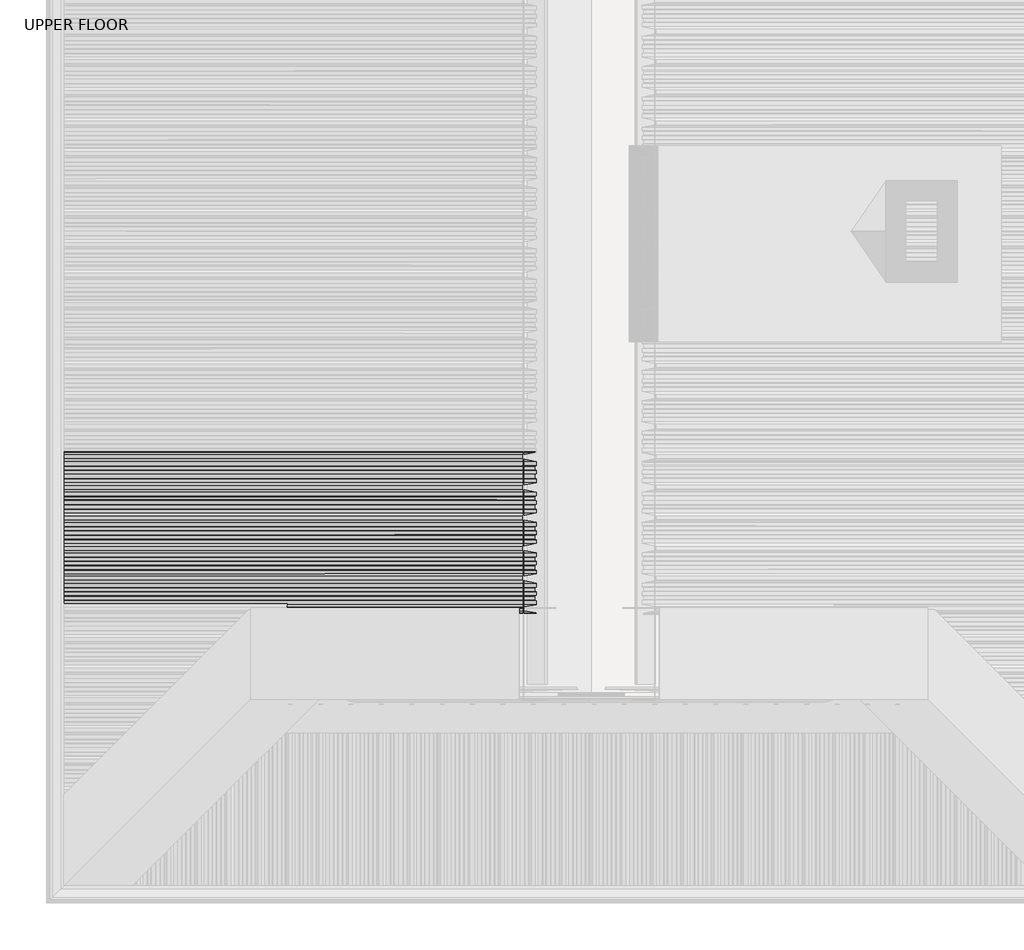
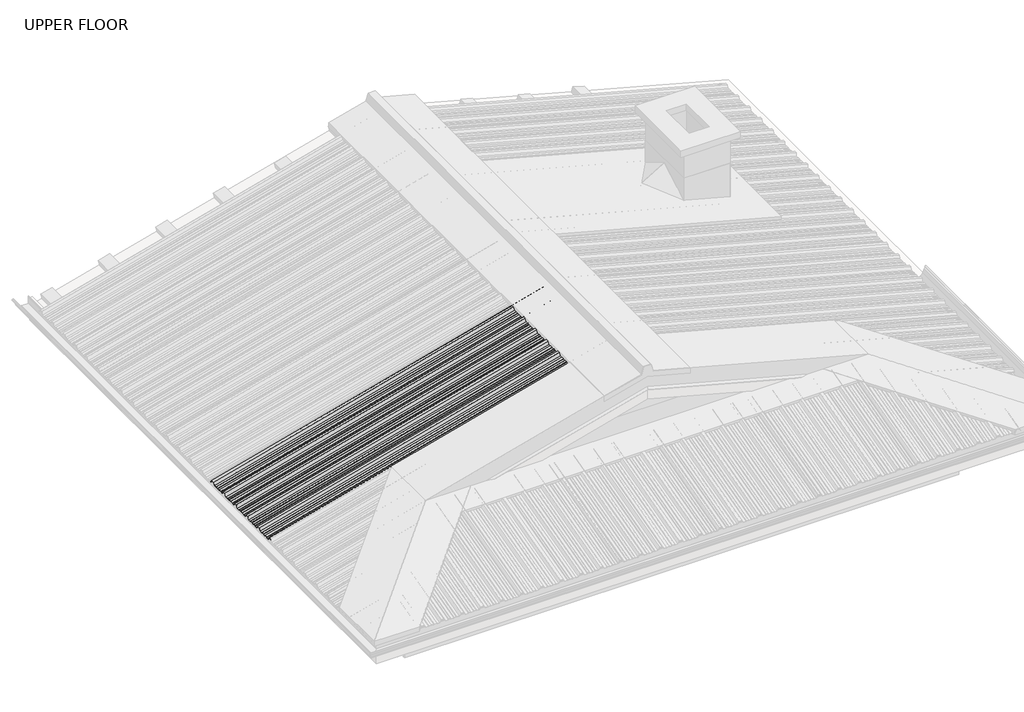
# One storey, part 11 of 18: 1 beam.
"""IFC4 building model written with IfcOpenShell, lengths in millimetres."""

from ifc_helpers import new_model, si_unit, frame, origin, place, context, project, spatial, circle_curve, ellipse_curve, element, save
from ifc_brep_helpers import plane_surface, cylinder_surface, advanced_brep

model = new_model("IFC4")

# Units and contexts
model_context = context("Model", 3, world=origin())
ifc_project = project(units=[si_unit("LENGTHUNIT", "METRE", prefix="MILLI")], contexts=[model_context])

# Site, building, storey
site = spatial("IfcSite", under=ifc_project)
building = spatial("IfcBuilding", under=site)
storey = spatial("IfcBuildingStorey", under=building, Name="UPPER FLOOR", Elevation=2700.0)

# Beam
placement = place(None, origin())
element("IfcBeam", 1, at=placement, inside=storey, context=model_context, shape_type="AdvancedBrep", body=[
    advanced_brep(
    [(1911.8438312, -3135.5154236, 3964.0388456), (1916.502574, -3122.0160332, 3946.6521808), (1916.502574, -3103.8599507, 3946.6521808), (1915.9849359, -3099.7333487, 3948.5840324), (1915.9849359, -3082.1265136, 3948.5840324), (1916.502574, -3078.8623496, 3946.6521808), (1916.502574, -3060.0893759, 3946.6521808), (1915.9849359, -3057.0479174, 3948.5840324), (1915.9849359, -3041.3821135, 3948.5840324), (1916.502574, -3038.3384716, 3946.6521808), (1916.502574, -3018.0160332, 3946.6521808), (1911.8438312, -3004.5166428, 3964.0388456), (1911.8438312, -2985.5154236, 3964.0388456), (1916.502574, -2972.0160332, 3946.6521808), (1916.502574, -2953.8599507, 3946.6521808), (1915.9849359, -2949.7333487, 3948.5840324), (1915.9849359, -2932.1265136, 3948.5840324), (1916.502574, -2928.8623496, 3946.6521808), (1916.502574, -2910.0893759, 3946.6521808), (1915.9849359, -2907.0479174, 3948.5840324), (1915.9849359, -2891.3821135, 3948.5840324), (1916.502574, -2888.3384716, 3946.6521808), (1916.502574, -2868.0160332, 3946.6521808), (1911.8438312, -2854.5166428, 3964.0388456), (1911.8438312, -2835.5154236, 3964.0388456), (1916.502574, -2822.0160332, 3946.6521808), (1916.502574, -2803.8599507, 3946.6521808), (1915.9849359, -2799.7333487, 3948.5840324), (1915.9849359, -2782.1265136, 3948.5840324), (1916.502574, -2778.8623496, 3946.6521808), (1916.502574, -2760.0893759, 3946.6521808), (1915.9849359, -2757.0479174, 3948.5840324), (1915.9849359, -2741.3821135, 3948.5840324), (1916.502574, -2738.3384716, 3946.6521808), (1916.502574, -2718.0160332, 3946.6521808), (1911.8438312, -2704.5166428, 3964.0388456), (1911.8438312, -2685.5154236, 3964.0388456), (1916.502574, -2672.0160332, 3946.6521808), (1916.502574, -2653.8599507, 3946.6521808), (1915.9849359, -2649.7333487, 3948.5840324), (1915.9849359, -2632.1265136, 3948.5840324), (1916.502574, -2628.8623496, 3946.6521808), (1916.502574, -2610.0893759, 3946.6521808), (1915.9849359, -2607.0479174, 3948.5840324), (1915.9849359, -2591.3821135, 3948.5840324), (1916.502574, -2588.3384716, 3946.6521808), (1916.502574, -2568.0160332, 3946.6521808), (1911.8438312, -2554.5166428, 3964.0388456), (1911.8438312, -2535.5154236, 3964.0388456), (1915.9849359, -2523.5159654, 3948.5840324), (1915.9849359, -2519.8426482, 3948.5840324), (1915.7261169, -2519.8426482, 3949.5499582), (1915.7261169, -2523.016575, 3949.5499582), (1911.5850122, -2535.0160332, 3965.0047715), (1911.5850122, -2555.0160332, 3965.0047715), (1916.243755, -2568.5154236, 3947.6181066), (1916.243755, -2588.0393206, 3947.6181066), (1915.7261169, -2591.0829625, 3949.5499582), (1915.7261169, -2607.3472479, 3949.5499582), (1916.243755, -2610.3887064, 3947.6181066), (1916.243755, -2628.5803543, 3947.6181066), (1915.7261169, -2631.8445183, 3949.5499582), (1915.7261169, -2649.9629086, 3949.5499582), (1916.243755, -2654.0895106, 3947.6181066), (1916.243755, -2671.5166428, 3947.6181066), (1911.5850122, -2685.0160332, 3965.0047715), (1911.5850122, -2705.0160332, 3965.0047715), (1916.243755, -2718.5154236, 3947.6181066), (1916.243755, -2738.0393206, 3947.6181066), (1915.7261169, -2741.0829625, 3949.5499582), (1915.7261169, -2757.3472479, 3949.5499582), (1916.243755, -2760.3887064, 3947.6181066), (1916.243755, -2778.5803543, 3947.6181066), (1915.7261169, -2781.8445183, 3949.5499582), (1915.7261169, -2799.9629086, 3949.5499582), (1916.243755, -2804.0895106, 3947.6181066), (1916.243755, -2821.5166428, 3947.6181066), (1911.5850122, -2835.0160332, 3965.0047715), (1911.5850122, -2855.0160332, 3965.0047715), (1916.243755, -2868.5154236, 3947.6181066), (1916.243755, -2888.0393206, 3947.6181066), (1915.7261169, -2891.0829625, 3949.5499582), (1915.7261169, -2907.3472479, 3949.5499582), (1916.243755, -2910.3887064, 3947.6181066), (1916.243755, -2928.5803543, 3947.6181066), (1915.7261169, -2931.8445183, 3949.5499582), (1915.7261169, -2949.9629086, 3949.5499582), (1916.243755, -2954.0895106, 3947.6181066), (1916.243755, -2971.5166428, 3947.6181066), (1911.5850122, -2985.0160332, 3965.0047715), (1911.5850122, -3005.0160332, 3965.0047715), (1916.243755, -3018.5154236, 3947.6181066), (1916.243755, -3038.0393206, 3947.6181066), (1915.7261169, -3041.0829625, 3949.5499582), (1915.7261169, -3057.3472479, 3949.5499582), (1916.243755, -3060.3887064, 3947.6181066), (1916.243755, -3078.5803543, 3947.6181066), (1915.7261169, -3081.8445183, 3949.5499582), (1915.7261169, -3099.9629086, 3949.5499582), (1916.243755, -3104.0895106, 3947.6181066), (1916.243755, -3121.5166428, 3947.6181066), (1911.5850122, -3135.0160332, 3965.0047715), (1911.5850122, -3155.0160332, 3965.0047715), (1916.243755, -3168.5154236, 3947.6181066), (1916.243755, -3188.0393206, 3947.6181066), (1915.7261169, -3191.0829625, 3949.5499582), (1915.7261169, -3207.3472479, 3949.5499582), (1916.243755, -3210.3887064, 3947.6181066), (1916.243755, -3228.5803543, 3947.6181066), (1915.7261169, -3231.8445183, 3949.5499582), (1915.7261169, -3249.9629086, 3949.5499582), (1916.243755, -3254.0895106, 3947.6181066), (1916.243755, -3274.0166021, 3947.6181066), (1912.1026503, -3286.0160603, 3963.0729198), (1912.1026503, -3304.0160061, 3963.0729198), (1916.1256634, -3315.6732765, 3948.0588305), (1916.2808729, -3314.8736623, 3947.4795806), (1912.3614693, -3303.5166157, 3962.106994), (1912.3614693, -3286.5154506, 3962.106994), (1916.502574, -3274.5159925, 3946.6521808), (1916.502574, -3253.8599507, 3946.6521808), (1915.9849359, -3249.7333487, 3948.5840324), (1915.9849359, -3232.1265136, 3948.5840324), (1916.502574, -3228.8623496, 3946.6521808), (1916.502574, -3210.0893759, 3946.6521808), (1915.9849359, -3207.0479174, 3948.5840324), (1915.9849359, -3191.3821135, 3948.5840324), (1916.502574, -3188.3384716, 3946.6521808), (1916.502574, -3168.0160332, 3946.6521808), (1911.8438312, -3154.5166428, 3964.0388456), (-592.3448479, -3122.0160332, 3274.4085401), (-592.3448479, -3103.8599507, 3274.4085401), (-592.3448479, -3099.7333487, 3276.4790925), (-592.3448479, -3082.1265136, 3276.4790925), (-592.3448479, -3078.8623496, 3274.4085401), (-592.3448479, -3060.0893759, 3274.4085401), (-592.3448479, -3057.0479174, 3276.4790925), (-592.3448479, -3041.3821135, 3276.4790925), (-592.3448479, -3038.3384716, 3274.4085401), (-592.3448479, -3018.0160332, 3274.4085401), (-592.3448479, -3004.5166428, 3293.0435114), (-592.3448479, -2985.5154236, 3293.0435114), (-592.3448479, -2972.0160332, 3274.4085401), (-592.3448479, -2953.8599507, 3274.4085401), (-592.3448479, -2949.7333487, 3276.4790925), (-592.3448479, -2932.1265136, 3276.4790925), (-592.3448479, -2928.8623496, 3274.4085401), (-592.3448479, -2910.0893759, 3274.4085401), (-592.3448479, -2907.0479174, 3276.4790925), (-592.3448479, -2891.3821135, 3276.4790925), (-592.3448479, -2888.3384716, 3274.4085401), (-592.3448479, -2868.0160332, 3274.4085401), (-592.3448479, -2854.5166428, 3293.0435114), (-592.3448479, -2835.5154236, 3293.0435114), (-592.3448479, -2822.0160332, 3274.4085401), (-592.3448479, -2803.8599507, 3274.4085401), (-592.3448479, -2799.7333487, 3276.4790925), (-592.3448479, -2782.1265136, 3276.4790925), (-592.3448479, -2778.8623496, 3274.4085401), (-592.3448479, -2760.0893759, 3274.4085401), (-592.3448479, -2757.0479174, 3276.4790925), (-592.3448479, -2741.3821135, 3276.4790925), (-592.3448479, -2738.3384716, 3274.4085401), (-592.3448479, -2718.0160332, 3274.4085401), (-592.3448479, -2704.5166428, 3293.0435114), (-592.3448479, -2685.5154236, 3293.0435114), (-592.3448479, -2672.0160332, 3274.4085401), (-592.3448479, -2653.8599507, 3274.4085401), (-592.3448479, -2649.7333487, 3276.4790925), (-592.3448479, -2632.1265136, 3276.4790925), (-592.3448479, -2628.8623496, 3274.4085401), (-592.3448479, -2610.0893759, 3274.4085401), (-592.3448479, -2607.0479174, 3276.4790925), (-592.3448479, -2591.3821135, 3276.4790925), (-592.3448479, -2588.3384716, 3274.4085401), (-592.3448479, -2568.0160332, 3274.4085401), (-592.3448479, -2554.5166428, 3293.0435114), (-592.3448479, -2535.5154236, 3293.0435114), (-592.3448479, -2523.5159654, 3276.4790925), (-592.3448479, -2519.8426482, 3276.4790925), (-592.3448479, -2519.8426482, 3277.5143687), (-592.3448479, -2523.016575, 3277.5143687), (-592.3448479, -2535.0160332, 3294.0787875), (-592.3448479, -2555.0160332, 3294.0787875), (-592.3448479, -2568.5154236, 3275.4438163), (-592.3448479, -2588.0393206, 3275.4438163), (-592.3448479, -2591.0829625, 3277.5143687), (-592.3448479, -2607.3472479, 3277.5143687), (-592.3448479, -2610.3887064, 3275.4438163), (-592.3448479, -2628.5803543, 3275.4438163), (-592.3448479, -2631.8445183, 3277.5143687), (-592.3448479, -2649.9629086, 3277.5143687), (-592.3448479, -2654.0895106, 3275.4438163), (-592.3448479, -2671.5166428, 3275.4438163), (-592.3448479, -2685.0160332, 3294.0787875), (-592.3448479, -2705.0160332, 3294.0787875), (-592.3448479, -2718.5154236, 3275.4438163), (-592.3448479, -2738.0393206, 3275.4438163), (-592.3448479, -2741.0829625, 3277.5143687), (-592.3448479, -2757.3472479, 3277.5143687), (-592.3448479, -2760.3887064, 3275.4438163), (-592.3448479, -2778.5803543, 3275.4438163), (-592.3448479, -2781.8445183, 3277.5143687), (-592.3448479, -2799.9629086, 3277.5143687), (-592.3448479, -2804.0895106, 3275.4438163), (-592.3448479, -2821.5166428, 3275.4438163), (-592.3448479, -2835.0160332, 3294.0787875), (-592.3448479, -2855.0160332, 3294.0787875), (-592.3448479, -2868.5154236, 3275.4438163), (-592.3448479, -2888.0393206, 3275.4438163), (-592.3448479, -2891.0829625, 3277.5143687), (-592.3448479, -2907.3472479, 3277.5143687), (-592.3448479, -2910.3887064, 3275.4438163), (-592.3448479, -2928.5803543, 3275.4438163), (-592.3448479, -2931.8445183, 3277.5143687), (-592.3448479, -2949.9629086, 3277.5143687), (-592.3448479, -2954.0895106, 3275.4438163), (-592.3448479, -2971.5166428, 3275.4438163), (-592.3448479, -2985.0160332, 3294.0787875), (-592.3448479, -3005.0160332, 3294.0787875), (-592.3448479, -3018.5154236, 3275.4438163), (-592.3448479, -3038.0393206, 3275.4438163), (-592.3448479, -3041.0829625, 3277.5143687), (-592.3448479, -3057.3472479, 3277.5143687), (-592.3448479, -3060.3887064, 3275.4438163), (-592.3448479, -3078.5803543, 3275.4438163), (-592.3448479, -3081.8445183, 3277.5143687), (-592.3448479, -3099.9629086, 3277.5143687), (-592.3448479, -3104.0895106, 3275.4438163), (-592.3448479, -3121.5166428, 3275.4438163), (-592.3448479, -3135.0160332, 3294.0787875), (-592.3448479, -3155.0160332, 3294.0787875), (-592.3448479, -3168.5154236, 3275.4438163), (-592.3448479, -3188.0393206, 3275.4438163), (-592.3448479, -3191.0829625, 3277.5143687), (-592.3448479, -3207.3472479, 3277.5143687), (-592.3448479, -3210.3887064, 3275.4438163), (-592.3448479, -3228.5803543, 3275.4438163), (-592.3448479, -3231.8445183, 3277.5143687), (-592.3448479, -3249.9629086, 3277.5143687), (-592.3448479, -3254.0895106, 3275.4438163), (-592.3448479, -3274.0166021, 3275.4438163), (-592.3448479, -3286.0160603, 3292.0082352), (-592.3448479, -3304.0160061, 3292.0082352), (-592.3448479, -3135.5154236, 3293.0435114), (-592.3448479, -3315.6732765, 3275.9161827), (-592.3448479, -3314.8736623, 3275.2953446), (-592.3448479, -3303.5166157, 3290.972959), (-592.3448479, -3286.5154506, 3290.972959), (-592.3448479, -3274.5159925, 3274.4085401), (-592.3448479, -3253.8599507, 3274.4085401), (-592.3448479, -3249.7333487, 3276.4790925), (-592.3448479, -3232.1265136, 3276.4790925), (-592.3448479, -3228.8623496, 3274.4085401), (-592.3448479, -3210.0893759, 3274.4085401), (-592.3448479, -3207.0479174, 3276.4790925), (-592.3448479, -3191.3821135, 3276.4790925), (-592.3448479, -3188.3384716, 3274.4085401), (-592.3448479, -3168.0160332, 3274.4085401), (-592.3448479, -3154.5166428, 3293.0435114)],
    [
        (0, 1),
        (1, 2),
        (2, 3),
        (3, 4),
        (4, 5),
        (5, 6),
        (6, 7),
        (7, 8),
        (8, 9),
        (9, 10),
        (10, 11),
        (11, 12),
        (12, 13),
        (13, 14),
        (14, 15),
        (15, 16),
        (16, 17),
        (17, 18),
        (18, 19),
        (19, 20),
        (20, 21),
        (21, 22),
        (22, 23),
        (23, 24),
        (24, 25),
        (25, 26),
        (26, 27),
        (27, 28),
        (28, 29),
        (29, 30),
        (30, 31),
        (31, 32),
        (32, 33),
        (33, 34),
        (34, 35),
        (35, 36),
        (36, 37),
        (37, 38),
        (38, 39),
        (39, 40),
        (40, 41),
        (41, 42),
        (42, 43),
        (43, 44),
        (44, 45),
        (45, 46),
        (46, 47),
        (47, 48),
        (48, 49),
        (49, 50),
        (50, 51, circle_curve(frame((1915.8555264, -2519.8426482, 3949.0669953), z_axis=(0.9659258262890683, 0.0, 0.25881904510252074), x_axis=(0.0, 1.0, 0.0)), 0.5)),
        (51, 52),
        (52, 53),
        (53, 54),
        (54, 55),
        (55, 56),
        (56, 57),
        (57, 58),
        (58, 59),
        (59, 60),
        (60, 61),
        (61, 62),
        (62, 63),
        (63, 64),
        (64, 65),
        (65, 66),
        (66, 67),
        (67, 68),
        (68, 69),
        (69, 70),
        (70, 71),
        (71, 72),
        (72, 73),
        (73, 74),
        (74, 75),
        (75, 76),
        (76, 77),
        (77, 78),
        (78, 79),
        (79, 80),
        (80, 81),
        (81, 82),
        (82, 83),
        (83, 84),
        (84, 85),
        (85, 86),
        (86, 87),
        (87, 88),
        (88, 89),
        (89, 90),
        (90, 91),
        (91, 92),
        (92, 93),
        (93, 94),
        (94, 95),
        (95, 96),
        (96, 97),
        (97, 98),
        (98, 99),
        (99, 100),
        (100, 101),
        (101, 102),
        (102, 103),
        (103, 104),
        (104, 105),
        (105, 106),
        (106, 107),
        (107, 108),
        (108, 109),
        (109, 110),
        (110, 111),
        (111, 112),
        (112, 113),
        (113, 114),
        (114, 115),
        (115, 116, circle_curve(frame((1916.2032682, -3315.2734694, 3947.7692055), z_axis=(0.9659258262890683, 0.0, 0.25881904510252074), x_axis=(0.0, 1.0, 0.0)), 0.4997507)),
        (116, 117),
        (117, 118),
        (118, 119),
        (119, 120),
        (120, 121),
        (121, 122),
        (122, 123),
        (123, 124),
        (124, 125),
        (125, 126),
        (126, 127),
        (127, 128),
        (128, 129),
        (129, 0),
        (1, 130),
        (130, 131),
        (131, 2),
        (131, 132),
        (132, 3),
        (132, 133),
        (133, 4),
        (133, 134),
        (134, 5),
        (134, 135),
        (135, 6),
        (135, 136),
        (136, 7),
        (136, 137),
        (137, 8),
        (137, 138),
        (138, 9),
        (138, 139),
        (139, 10),
        (139, 140),
        (140, 11),
        (140, 141),
        (141, 12),
        (141, 142),
        (142, 13),
        (142, 143),
        (143, 14),
        (143, 144),
        (144, 15),
        (144, 145),
        (145, 16),
        (145, 146),
        (146, 17),
        (146, 147),
        (147, 18),
        (147, 148),
        (148, 19),
        (148, 149),
        (149, 20),
        (149, 150),
        (150, 21),
        (150, 151),
        (151, 22),
        (151, 152),
        (152, 23),
        (152, 153),
        (153, 24),
        (153, 154),
        (154, 25),
        (154, 155),
        (155, 26),
        (155, 156),
        (156, 27),
        (156, 157),
        (157, 28),
        (157, 158),
        (158, 29),
        (158, 159),
        (159, 30),
        (159, 160),
        (160, 31),
        (160, 161),
        (161, 32),
        (161, 162),
        (162, 33),
        (162, 163),
        (163, 34),
        (163, 164),
        (164, 35),
        (164, 165),
        (165, 36),
        (165, 166),
        (166, 37),
        (166, 167),
        (167, 38),
        (167, 168),
        (168, 39),
        (168, 169),
        (169, 40),
        (169, 170),
        (170, 41),
        (170, 171),
        (171, 42),
        (171, 172),
        (172, 43),
        (172, 173),
        (173, 44),
        (173, 174),
        (174, 45),
        (174, 175),
        (175, 46),
        (175, 176),
        (176, 47),
        (176, 177),
        (177, 48),
        (177, 178),
        (178, 49),
        (178, 179),
        (179, 50),
        (179, 180, ellipse_curve(frame((-592.3448479, -2519.8426482, 3276.9967306), z_axis=(1.0, 0.0, 0.0), x_axis=(0.0, 0.0, 1.0)), 0.5176381, 0.5)),
        (180, 51),
        (180, 181),
        (181, 52),
        (181, 182),
        (182, 53),
        (182, 183),
        (183, 54),
        (183, 184),
        (184, 55),
        (184, 185),
        (185, 56),
        (185, 186),
        (186, 57),
        (186, 187),
        (187, 58),
        (187, 188),
        (188, 59),
        (188, 189),
        (189, 60),
        (189, 190),
        (190, 61),
        (190, 191),
        (191, 62),
        (191, 192),
        (192, 63),
        (192, 193),
        (193, 64),
        (193, 194),
        (194, 65),
        (194, 195),
        (195, 66),
        (195, 196),
        (196, 67),
        (196, 197),
        (197, 68),
        (197, 198),
        (198, 69),
        (198, 199),
        (199, 70),
        (199, 200),
        (200, 71),
        (200, 201),
        (201, 72),
        (201, 202),
        (202, 73),
        (202, 203),
        (203, 74),
        (203, 204),
        (204, 75),
        (204, 205),
        (205, 76),
        (205, 206),
        (206, 77),
        (206, 207),
        (207, 78),
        (207, 208),
        (208, 79),
        (208, 209),
        (209, 80),
        (209, 210),
        (210, 81),
        (210, 211),
        (211, 82),
        (211, 212),
        (212, 83),
        (212, 213),
        (213, 84),
        (213, 214),
        (214, 85),
        (214, 215),
        (215, 86),
        (215, 216),
        (216, 87),
        (216, 217),
        (217, 88),
        (217, 218),
        (218, 89),
        (218, 219),
        (219, 90),
        (219, 220),
        (220, 91),
        (220, 221),
        (221, 92),
        (221, 222),
        (222, 93),
        (222, 223),
        (223, 94),
        (223, 224),
        (224, 95),
        (224, 225),
        (225, 96),
        (225, 226),
        (226, 97),
        (226, 227),
        (227, 98),
        (227, 228),
        (228, 99),
        (228, 229),
        (229, 100),
        (229, 230),
        (230, 101),
        (230, 231),
        (231, 102),
        (231, 232),
        (232, 103),
        (232, 233),
        (233, 104),
        (233, 234),
        (234, 105),
        (234, 235),
        (235, 106),
        (235, 236),
        (236, 107),
        (236, 237),
        (237, 108),
        (237, 238),
        (238, 109),
        (238, 239),
        (239, 110),
        (239, 240),
        (240, 111),
        (240, 241),
        (241, 112),
        (241, 242),
        (242, 113),
        (242, 243),
        (243, 114),
        (0, 244),
        (244, 130),
        (243, 245),
        (245, 115),
        (245, 246, ellipse_curve(frame((-592.3448479, -3315.2734694, 3275.6057637), z_axis=(1.0, 0.0, 0.0), x_axis=(0.0, 0.0, 1.0)), 0.51738, 0.4997507)),
        (246, 116),
        (246, 247),
        (247, 117),
        (247, 248),
        (248, 118),
        (248, 249),
        (249, 119),
        (249, 250),
        (250, 120),
        (250, 251),
        (251, 121),
        (251, 252),
        (252, 122),
        (252, 253),
        (253, 123),
        (253, 254),
        (254, 124),
        (254, 255),
        (255, 125),
        (255, 256),
        (256, 126),
        (256, 257),
        (257, 127),
        (257, 258),
        (258, 128),
        (258, 259),
        (259, 129),
        (259, 244),
    ],
    [
        plane_surface(frame((1911.8438312, -3135.5154236, 3964.0388456), z_axis=(0.9659258262890682, 0.0, 0.25881904510252085), x_axis=(0.2070586020545866, 0.5999826594493568, -0.7727532230118989))),
        plane_surface(frame((1916.502574, -3122.0160332, 3946.6521808), z_axis=(0.25881904510252074, 0.0, -0.9659258262890683), x_axis=(-0.9659258262890683, 0.0, -0.25881904510252074))),
        plane_surface(frame((1916.502574, -3103.8599507, 3946.6521808), z_axis=(0.23290623468573957, 0.4361363616997863, -0.8692179012467383), x_axis=(-0.9659258262890683, 0.0, -0.25881904510252074))),
        plane_surface(frame((1915.9849359, -3099.7333487, 3948.5840324), z_axis=(0.25881904510252074, 0.0, -0.9659258262890683), x_axis=(-0.9659258262890683, 0.0, -0.25881904510252074))),
        plane_surface(frame((1915.9849359, -3082.1265136, 3948.5840324), z_axis=(0.22068801492462878, -0.5224449573493034, -0.8236188843202367), x_axis=(-0.9659258262890683, 0.0, -0.25881904510252074))),
        plane_surface(frame((1916.502574, -3078.8623496, 3946.6521808), z_axis=(0.25881904510252074, 0.0, -0.9659258262890683), x_axis=(-0.9659258262890683, 0.0, -0.25881904510252074))),
        plane_surface(frame((1916.502574, -3060.0893759, 3946.6521808), z_axis=(0.2162531724200974, 0.5494325148836681, -0.8070678267697529), x_axis=(-0.9659258262890683, 0.0, -0.25881904510252074))),
        plane_surface(frame((1915.9849359, -3057.0479174, 3948.5840324), z_axis=(0.25881904510252074, 0.0, -0.9659258262890683), x_axis=(-0.9659258262890683, 0.0, -0.25881904510252074))),
        plane_surface(frame((1915.9849359, -3041.3821135, 3948.5840324), z_axis=(0.2163000012898864, -0.5491572662555927, -0.8072425944910732), x_axis=(-0.9659258262890683, 0.0, -0.25881904510252074))),
        plane_surface(frame((1916.502574, -3038.3384716, 3946.6521808), z_axis=(0.25881904510252074, 0.0, -0.9659258262890683), x_axis=(-0.9659258262890683, 0.0, -0.25881904510252074))),
        plane_surface(frame((1916.502574, -3018.0160332, 3946.6521808), z_axis=(0.1552869389967554, 0.8000130051193378, -0.5795387460877353), x_axis=(-0.9659258262890683, 0.0, -0.25881904510252074))),
        plane_surface(frame((1911.8438312, -3004.5166428, 3964.0388456), z_axis=(0.25881904510252074, 0.0, -0.9659258262890683), x_axis=(-0.9659258262890683, 0.0, -0.25881904510252074))),
        plane_surface(frame((1911.8438312, -2985.5154236, 3964.0388456), z_axis=(0.15528693899675208, -0.8000130051193405, -0.5795387460877326), x_axis=(-0.9659258262890683, 0.0, -0.25881904510252074))),
        plane_surface(frame((1916.502574, -2972.0160332, 3946.6521808), z_axis=(0.25881904510252074, 0.0, -0.9659258262890683), x_axis=(-0.9659258262890683, 0.0, -0.25881904510252074))),
        plane_surface(frame((1916.502574, -2953.8599507, 3946.6521808), z_axis=(0.23290623468574015, 0.43613636169978187, -0.8692179012467404), x_axis=(-0.9659258262890683, 0.0, -0.25881904510252074))),
        plane_surface(frame((1915.9849359, -2949.7333487, 3948.5840324), z_axis=(0.25881904510252074, 0.0, -0.9659258262890683), x_axis=(-0.9659258262890683, 0.0, -0.25881904510252074))),
        plane_surface(frame((1915.9849359, -2932.1265136, 3948.5840324), z_axis=(0.22068801492462997, -0.5224449573492964, -0.8236188843202409), x_axis=(-0.9659258262890683, 0.0, -0.25881904510252074))),
        plane_surface(frame((1916.502574, -2928.8623496, 3946.6521808), z_axis=(0.25881904510252074, 0.0, -0.9659258262890683), x_axis=(-0.9659258262890683, 0.0, -0.25881904510252074))),
        plane_surface(frame((1916.502574, -2910.0893759, 3946.6521808), z_axis=(0.21625317242009884, 0.5494325148836595, -0.8070678267697583), x_axis=(-0.9659258262890683, 0.0, -0.25881904510252074))),
        plane_surface(frame((1915.9849359, -2907.0479174, 3948.5840324), z_axis=(0.25881904510252074, 0.0, -0.9659258262890683), x_axis=(-0.9659258262890683, 0.0, -0.25881904510252074))),
        plane_surface(frame((1915.9849359, -2891.3821135, 3948.5840324), z_axis=(0.2163000012898864, -0.5491572662555927, -0.8072425944910732), x_axis=(-0.9659258262890683, 0.0, -0.25881904510252074))),
        plane_surface(frame((1916.502574, -2888.3384716, 3946.6521808), z_axis=(0.25881904510252074, 0.0, -0.9659258262890683), x_axis=(-0.9659258262890683, 0.0, -0.25881904510252074))),
        plane_surface(frame((1916.502574, -2868.0160332, 3946.6521808), z_axis=(0.1552869389967558, 0.8000130051193365, -0.5795387460877367), x_axis=(-0.9659258262890683, 0.0, -0.25881904510252074))),
        plane_surface(frame((1911.8438312, -2854.5166428, 3964.0388456), z_axis=(0.25881904510252074, 0.0, -0.9659258262890683), x_axis=(-0.9659258262890683, 0.0, -0.25881904510252074))),
        plane_surface(frame((1911.8438312, -2835.5154236, 3964.0388456), z_axis=(0.15528693899675136, -0.8000130051193425, -0.5795387460877299), x_axis=(-0.9659258262890683, 0.0, -0.25881904510252074))),
        plane_surface(frame((1916.502574, -2822.0160332, 3946.6521808), z_axis=(0.25881904510252074, 0.0, -0.9659258262890683), x_axis=(-0.9659258262890683, 0.0, -0.25881904510252074))),
        plane_surface(frame((1916.502574, -2803.8599507, 3946.6521808), z_axis=(0.23290623468573907, 0.4361363616997906, -0.8692179012467363), x_axis=(-0.9659258262890683, 0.0, -0.25881904510252074))),
        plane_surface(frame((1915.9849359, -2799.7333487, 3948.5840324), z_axis=(0.25881904510252074, 0.0, -0.9659258262890683), x_axis=(-0.9659258262890683, 0.0, -0.25881904510252074))),
        plane_surface(frame((1915.9849359, -2782.1265136, 3948.5840324), z_axis=(0.22068801492462944, -0.5224449573492995, -0.823618884320239), x_axis=(-0.9659258262890683, 0.0, -0.25881904510252074))),
        plane_surface(frame((1916.502574, -2778.8623496, 3946.6521808), z_axis=(0.25881904510252074, 0.0, -0.9659258262890683), x_axis=(-0.9659258262890683, 0.0, -0.25881904510252074))),
        plane_surface(frame((1916.502574, -2760.0893759, 3946.6521808), z_axis=(0.2162531724200974, 0.5494325148836681, -0.8070678267697529), x_axis=(-0.9659258262890683, 0.0, -0.25881904510252074))),
        plane_surface(frame((1915.9849359, -2757.0479174, 3948.5840324), z_axis=(0.25881904510252074, 0.0, -0.9659258262890683), x_axis=(-0.9659258262890683, 0.0, -0.25881904510252074))),
        plane_surface(frame((1915.9849359, -2741.3821135, 3948.5840324), z_axis=(0.2163000012898864, -0.5491572662555927, -0.8072425944910732), x_axis=(-0.9659258262890683, 0.0, -0.25881904510252074))),
        plane_surface(frame((1916.502574, -2738.3384716, 3946.6521808), z_axis=(0.25881904510252074, 0.0, -0.9659258262890683), x_axis=(-0.9659258262890683, 0.0, -0.25881904510252074))),
        plane_surface(frame((1916.502574, -2718.0160332, 3946.6521808), z_axis=(0.1552869389967553, 0.800013005119338, -0.5795387460877349), x_axis=(-0.9659258262890683, 0.0, -0.25881904510252074))),
        plane_surface(frame((1911.8438312, -2704.5166428, 3964.0388456), z_axis=(0.25881904510252074, 0.0, -0.9659258262890683), x_axis=(-0.9659258262890683, 0.0, -0.25881904510252074))),
        plane_surface(frame((1911.8438312, -2685.5154236, 3964.0388456), z_axis=(0.15528693899675194, -0.8000130051193408, -0.579538746087732), x_axis=(-0.9659258262890683, 0.0, -0.25881904510252074))),
        plane_surface(frame((1916.502574, -2672.0160332, 3946.6521808), z_axis=(0.25881904510252074, 0.0, -0.9659258262890683), x_axis=(-0.9659258262890683, 0.0, -0.25881904510252074))),
        plane_surface(frame((1916.502574, -2653.8599507, 3946.6521808), z_axis=(0.23290623468573762, 0.43613636169980186, -0.8692179012467309), x_axis=(-0.9659258262890683, 0.0, -0.25881904510252074))),
        plane_surface(frame((1915.9849359, -2649.7333487, 3948.5840324), z_axis=(0.25881904510252074, 0.0, -0.9659258262890683), x_axis=(-0.9659258262890683, 0.0, -0.25881904510252074))),
        plane_surface(frame((1915.9849359, -2632.1265136, 3948.5840324), z_axis=(0.22068801492462528, -0.5224449573493257, -0.8236188843202236), x_axis=(-0.9659258262890683, 0.0, -0.25881904510252074))),
        plane_surface(frame((1916.502574, -2628.8623496, 3946.6521808), z_axis=(0.25881904510252074, 0.0, -0.9659258262890683), x_axis=(-0.9659258262890683, 0.0, -0.25881904510252074))),
        plane_surface(frame((1916.502574, -2610.0893759, 3946.6521808), z_axis=(0.21625317242009223, 0.5494325148836985, -0.8070678267697334), x_axis=(-0.9659258262890683, 0.0, -0.25881904510252074))),
        plane_surface(frame((1915.9849359, -2607.0479174, 3948.5840324), z_axis=(0.25881904510252074, 0.0, -0.9659258262890683), x_axis=(-0.9659258262890683, 0.0, -0.25881904510252074))),
        plane_surface(frame((1915.9849359, -2591.3821135, 3948.5840324), z_axis=(0.21630000128988258, -0.5491572662556147, -0.8072425944910592), x_axis=(-0.9659258262890683, 0.0, -0.25881904510252074))),
        plane_surface(frame((1916.502574, -2588.3384716, 3946.6521808), z_axis=(0.25881904510252074, 0.0, -0.9659258262890683), x_axis=(-0.9659258262890683, 0.0, -0.25881904510252074))),
        plane_surface(frame((1916.502574, -2568.0160332, 3946.6521808), z_axis=(0.15528693899675478, 0.8000130051193397, -0.5795387460877327), x_axis=(-0.9659258262890683, 0.0, -0.25881904510252074))),
        plane_surface(frame((1911.8438312, -2554.5166428, 3964.0388456), z_axis=(0.25881904510252074, 0.0, -0.9659258262890683), x_axis=(-0.9659258262890683, 0.0, -0.25881904510252074))),
        plane_surface(frame((1911.8438312, -2535.5154236, 3964.0388456), z_axis=(0.1552869389967519, -0.800013005119341, -0.5795387460877317), x_axis=(-0.9659258262890683, 0.0, -0.25881904510252074))),
        plane_surface(frame((1915.9849359, -2523.5159654, 3948.5840324), z_axis=(0.25881904510252074, 0.0, -0.9659258262890683), x_axis=(-0.9659258262890683, 0.0, -0.25881904510252074))),
        cylinder_surface(frame((-605.4065742, -2519.8426482, 3273.4968516), z_axis=(0.9659258262890683, 0.0, 0.25881904510252074), x_axis=(0.0, 1.0, 0.0)), 0.5),
        plane_surface(frame((1915.7261169, -2519.8426482, 3949.5499582), z_axis=(-0.25881904510252074, 0.0, 0.9659258262890683), x_axis=(-0.9659258262890683, 0.0, -0.25881904510252074))),
        plane_surface(frame((1915.7261169, -2523.016575, 3949.5499582), z_axis=(-0.15528693899675183, 0.8000130051193411, 0.5795387460877315), x_axis=(-0.9659258262890683, 0.0, -0.25881904510252074))),
        plane_surface(frame((1911.5850122, -2535.0160332, 3965.0047715), z_axis=(-0.25881904510252074, 0.0, 0.9659258262890683), x_axis=(-0.9659258262890683, 0.0, -0.25881904510252074))),
        plane_surface(frame((1911.5850122, -2555.0160332, 3965.0047715), z_axis=(-0.15528693899675491, -0.8000130051193396, 0.5795387460877331), x_axis=(-0.9659258262890683, 0.0, -0.25881904510252074))),
        plane_surface(frame((1916.243755, -2568.5154236, 3947.6181066), z_axis=(-0.25881904510252074, 0.0, 0.9659258262890683), x_axis=(-0.9659258262890683, 0.0, -0.25881904510252074))),
        plane_surface(frame((1916.243755, -2588.0393206, 3947.6181066), z_axis=(-0.21630000128988927, 0.5491572662555757, 0.807242594491084), x_axis=(-0.9659258262890683, 0.0, -0.25881904510252074))),
        plane_surface(frame((1915.7261169, -2591.0829625, 3949.5499582), z_axis=(-0.25881904510252074, 0.0, 0.9659258262890683), x_axis=(-0.9659258262890683, 0.0, -0.25881904510252074))),
        plane_surface(frame((1915.7261169, -2607.3472479, 3949.5499582), z_axis=(-0.2162531724200994, -0.5494325148836562, 0.8070678267697603), x_axis=(-0.9659258262890683, 0.0, -0.25881904510252074))),
        plane_surface(frame((1916.243755, -2610.3887064, 3947.6181066), z_axis=(-0.25881904510252074, 0.0, 0.9659258262890683), x_axis=(-0.9659258262890683, 0.0, -0.25881904510252074))),
        plane_surface(frame((1916.243755, -2628.5803543, 3947.6181066), z_axis=(-0.22068801492462778, 0.5224449573493096, 0.823618884320233), x_axis=(-0.9659258262890683, 0.0, -0.25881904510252074))),
        plane_surface(frame((1915.7261169, -2631.8445183, 3949.5499582), z_axis=(-0.25881904510252074, 0.0, 0.9659258262890683), x_axis=(-0.9659258262890683, 0.0, -0.25881904510252074))),
        plane_surface(frame((1915.7261169, -2649.9629086, 3949.5499582), z_axis=(-0.23290623468573818, -0.43613636169979736, 0.869217901246733), x_axis=(-0.9659258262890683, 0.0, -0.25881904510252074))),
        plane_surface(frame((1916.243755, -2654.0895106, 3947.6181066), z_axis=(-0.25881904510252074, 0.0, 0.9659258262890683), x_axis=(-0.9659258262890683, 0.0, -0.25881904510252074))),
        plane_surface(frame((1916.243755, -2671.5166428, 3947.6181066), z_axis=(-0.15528693899675322, 0.8000130051193369, 0.579538746087737), x_axis=(-0.9659258262890683, 0.0, -0.25881904510252074))),
        plane_surface(frame((1911.5850122, -2685.0160332, 3965.0047715), z_axis=(-0.25881904510252074, 0.0, 0.9659258262890683), x_axis=(-0.9659258262890683, 0.0, -0.25881904510252074))),
        plane_surface(frame((1911.5850122, -2705.0160332, 3965.0047715), z_axis=(-0.15528693899675478, -0.8000130051193396, 0.5795387460877328), x_axis=(-0.9659258262890683, 0.0, -0.25881904510252074))),
        plane_surface(frame((1916.243755, -2718.5154236, 3947.6181066), z_axis=(-0.25881904510252074, 0.0, 0.9659258262890683), x_axis=(-0.9659258262890683, 0.0, -0.25881904510252074))),
        plane_surface(frame((1916.243755, -2738.0393206, 3947.6181066), z_axis=(-0.21630000128988697, 0.5491572662555895, 0.8072425944910753), x_axis=(-0.9659258262890683, 0.0, -0.25881904510252074))),
        plane_surface(frame((1915.7261169, -2741.0829625, 3949.5499582), z_axis=(-0.25881904510252074, 0.0, 0.9659258262890683), x_axis=(-0.9659258262890683, 0.0, -0.25881904510252074))),
        plane_surface(frame((1915.7261169, -2757.3472479, 3949.5499582), z_axis=(-0.2162531724200979, -0.5494325148836647, 0.8070678267697549), x_axis=(-0.9659258262890683, 0.0, -0.25881904510252074))),
        plane_surface(frame((1916.243755, -2760.3887064, 3947.6181066), z_axis=(-0.25881904510252074, 0.0, 0.9659258262890683), x_axis=(-0.9659258262890683, 0.0, -0.25881904510252074))),
        plane_surface(frame((1916.243755, -2778.5803543, 3947.6181066), z_axis=(-0.22068801492462872, 0.5224449573493041, 0.8236188843202363), x_axis=(-0.9659258262890683, 0.0, -0.25881904510252074))),
        plane_surface(frame((1915.7261169, -2781.8445183, 3949.5499582), z_axis=(-0.25881904510252074, 0.0, 0.9659258262890683), x_axis=(-0.9659258262890683, 0.0, -0.25881904510252074))),
        plane_surface(frame((1915.7261169, -2799.9629086, 3949.5499582), z_axis=(-0.23290623468573976, -0.4361363616997848, 0.8692179012467389), x_axis=(-0.9659258262890683, 0.0, -0.25881904510252074))),
        plane_surface(frame((1916.243755, -2804.0895106, 3947.6181066), z_axis=(-0.25881904510252074, 0.0, 0.9659258262890683), x_axis=(-0.9659258262890683, 0.0, -0.25881904510252074))),
        plane_surface(frame((1916.243755, -2821.5166428, 3947.6181066), z_axis=(-0.15528693899675242, 0.8000130051193396, 0.5795387460877337), x_axis=(-0.9659258262890683, 0.0, -0.25881904510252074))),
        plane_surface(frame((1911.5850122, -2835.0160332, 3965.0047715), z_axis=(-0.25881904510252074, 0.0, 0.9659258262890683), x_axis=(-0.9659258262890683, 0.0, -0.25881904510252074))),
        plane_surface(frame((1911.5850122, -2855.0160332, 3965.0047715), z_axis=(-0.15528693899675494, -0.8000130051193394, 0.5795387460877334), x_axis=(-0.9659258262890683, 0.0, -0.25881904510252074))),
        plane_surface(frame((1916.243755, -2868.5154236, 3947.6181066), z_axis=(-0.25881904510252074, 0.0, 0.9659258262890683), x_axis=(-0.9659258262890683, 0.0, -0.25881904510252074))),
        plane_surface(frame((1916.243755, -2888.0393206, 3947.6181066), z_axis=(-0.21630000128988697, 0.5491572662555895, 0.8072425944910753), x_axis=(-0.9659258262890683, 0.0, -0.25881904510252074))),
        plane_surface(frame((1915.7261169, -2891.0829625, 3949.5499582), z_axis=(-0.25881904510252074, 0.0, 0.9659258262890683), x_axis=(-0.9659258262890683, 0.0, -0.25881904510252074))),
        plane_surface(frame((1915.7261169, -2907.3472479, 3949.5499582), z_axis=(-0.21625317242009937, -0.5494325148836562, 0.8070678267697603), x_axis=(-0.9659258262890683, 0.0, -0.25881904510252074))),
        plane_surface(frame((1916.243755, -2910.3887064, 3947.6181066), z_axis=(-0.25881904510252074, 0.0, 0.9659258262890683), x_axis=(-0.9659258262890683, 0.0, -0.25881904510252074))),
        plane_surface(frame((1916.243755, -2928.5803543, 3947.6181066), z_axis=(-0.22068801492462958, 0.5224449573492986, 0.8236188843202396), x_axis=(-0.9659258262890683, 0.0, -0.25881904510252074))),
        plane_surface(frame((1915.7261169, -2931.8445183, 3949.5499582), z_axis=(-0.25881904510252074, 0.0, 0.9659258262890683), x_axis=(-0.9659258262890683, 0.0, -0.25881904510252074))),
        plane_surface(frame((1915.7261169, -2949.9629086, 3949.5499582), z_axis=(-0.23290623468573948, -0.4361363616997871, 0.8692179012467379), x_axis=(-0.9659258262890683, 0.0, -0.25881904510252074))),
        plane_surface(frame((1916.243755, -2954.0895106, 3947.6181066), z_axis=(-0.25881904510252074, 0.0, 0.9659258262890683), x_axis=(-0.9659258262890683, 0.0, -0.25881904510252074))),
        plane_surface(frame((1916.243755, -2971.5166428, 3947.6181066), z_axis=(-0.15528693899675253, 0.8000130051193394, 0.579538746087734), x_axis=(-0.9659258262890683, 0.0, -0.25881904510252074))),
        plane_surface(frame((1911.5850122, -2985.0160332, 3965.0047715), z_axis=(-0.25881904510252074, 0.0, 0.9659258262890683), x_axis=(-0.9659258262890683, 0.0, -0.25881904510252074))),
        plane_surface(frame((1911.5850122, -3005.0160332, 3965.0047715), z_axis=(-0.1552869389967549, -0.8000130051193394, 0.5795387460877333), x_axis=(-0.9659258262890683, 0.0, -0.25881904510252074))),
        plane_surface(frame((1916.243755, -3018.5154236, 3947.6181066), z_axis=(-0.25881904510252074, 0.0, 0.9659258262890683), x_axis=(-0.9659258262890683, 0.0, -0.25881904510252074))),
        plane_surface(frame((1916.243755, -3038.0393206, 3947.6181066), z_axis=(-0.2163000012898864, 0.5491572662555927, 0.8072425944910732), x_axis=(-0.9659258262890683, 0.0, -0.25881904510252074))),
        plane_surface(frame((1915.7261169, -3041.0829625, 3949.5499582), z_axis=(-0.25881904510252074, 0.0, 0.9659258262890683), x_axis=(-0.9659258262890683, 0.0, -0.25881904510252074))),
        plane_surface(frame((1915.7261169, -3057.3472479, 3949.5499582), z_axis=(-0.2162531724200974, -0.5494325148836681, 0.8070678267697529), x_axis=(-0.9659258262890683, 0.0, -0.25881904510252074))),
        plane_surface(frame((1916.243755, -3060.3887064, 3947.6181066), z_axis=(-0.25881904510252074, 0.0, 0.9659258262890683), x_axis=(-0.9659258262890683, 0.0, -0.25881904510252074))),
        plane_surface(frame((1916.243755, -3078.5803543, 3947.6181066), z_axis=(-0.2206880149246283, 0.5224449573493065, 0.8236188843202348), x_axis=(-0.9659258262890683, 0.0, -0.25881904510252074))),
        plane_surface(frame((1915.7261169, -3081.8445183, 3949.5499582), z_axis=(-0.25881904510252074, 0.0, 0.9659258262890683), x_axis=(-0.9659258262890683, 0.0, -0.25881904510252074))),
        plane_surface(frame((1915.7261169, -3099.9629086, 3949.5499582), z_axis=(-0.23290623468573976, -0.4361363616997848, 0.8692179012467389), x_axis=(-0.9659258262890683, 0.0, -0.25881904510252074))),
        plane_surface(frame((1916.243755, -3104.0895106, 3947.6181066), z_axis=(-0.25881904510252074, 0.0, 0.9659258262890683), x_axis=(-0.9659258262890683, 0.0, -0.25881904510252074))),
        plane_surface(frame((1916.243755, -3121.5166428, 3947.6181066), z_axis=(-0.15528693899675272, 0.8000130051193385, 0.5795387460877349), x_axis=(-0.9659258262890683, 0.0, -0.25881904510252074))),
        plane_surface(frame((1911.5850122, -3135.0160332, 3965.0047715), z_axis=(-0.25881904510252074, 0.0, 0.9659258262890683), x_axis=(-0.9659258262890683, 0.0, -0.25881904510252074))),
        plane_surface(frame((1911.5850122, -3155.0160332, 3965.0047715), z_axis=(-0.15528693899675522, -0.8000130051193384, 0.5795387460877345), x_axis=(-0.9659258262890683, 0.0, -0.25881904510252074))),
        plane_surface(frame((1916.243755, -3168.5154236, 3947.6181066), z_axis=(-0.25881904510252074, 0.0, 0.9659258262890683), x_axis=(-0.9659258262890683, 0.0, -0.25881904510252074))),
        plane_surface(frame((1916.243755, -3188.0393206, 3947.6181066), z_axis=(-0.21630000128988697, 0.5491572662555895, 0.8072425944910753), x_axis=(-0.9659258262890683, 0.0, -0.25881904510252074))),
        plane_surface(frame((1915.7261169, -3191.0829625, 3949.5499582), z_axis=(-0.25881904510252074, 0.0, 0.9659258262890683), x_axis=(-0.9659258262890683, 0.0, -0.25881904510252074))),
        plane_surface(frame((1915.7261169, -3207.3472479, 3949.5499582), z_axis=(-0.2162531724200979, -0.5494325148836647, 0.8070678267697549), x_axis=(-0.9659258262890683, 0.0, -0.25881904510252074))),
        plane_surface(frame((1916.243755, -3210.3887064, 3947.6181066), z_axis=(-0.25881904510252074, 0.0, 0.9659258262890683), x_axis=(-0.9659258262890683, 0.0, -0.25881904510252074))),
        plane_surface(frame((1916.243755, -3228.5803543, 3947.6181066), z_axis=(-0.2206880149246287, 0.5224449573493041, 0.8236188843202363), x_axis=(-0.9659258262890683, 0.0, -0.25881904510252074))),
        plane_surface(frame((1915.7261169, -3231.8445183, 3949.5499582), z_axis=(-0.25881904510252074, 0.0, 0.9659258262890683), x_axis=(-0.9659258262890683, 0.0, -0.25881904510252074))),
        plane_surface(frame((1915.7261169, -3249.9629086, 3949.5499582), z_axis=(-0.23290623468573995, -0.4361363616997833, 0.8692179012467396), x_axis=(-0.9659258262890683, 0.0, -0.25881904510252074))),
        plane_surface(frame((1916.243755, -3254.0895106, 3947.6181066), z_axis=(-0.25881904510252074, 0.0, 0.9659258262890683), x_axis=(-0.9659258262890683, 0.0, -0.25881904510252074))),
        plane_surface(frame((1916.243755, -3274.0166021, 3947.6181066), z_axis=(-0.1552869389967526, 0.8000130051193389, 0.5795387460877345), x_axis=(-0.9659258262890683, 0.0, -0.25881904510252074))),
        plane_surface(frame((1912.1026503, -3286.0160603, 3963.0729198), z_axis=(-0.25881904510252074, 0.0, 0.9659258262890683), x_axis=(-0.9659258262890683, 0.0, -0.25881904510252074))),
        plane_surface(frame((1911.8438312, -3135.5154236, 3964.0388456), z_axis=(0.1552869389967522, -0.80001300511934, -0.579538746087733), x_axis=(-0.9659258262890683, 0.0, -0.25881904510252074))),
        plane_surface(frame((1912.1026503, -3304.0160061, 3963.0729198), z_axis=(-0.15528693899675494, -0.8000130051193394, 0.5795387460877334), x_axis=(-0.9659258262890683, 0.0, -0.25881904510252074))),
        cylinder_surface(frame((-605.0588324, -3315.2734694, 3272.1990618), z_axis=(0.9659258262890683, 0.0, 0.25881904510252074), x_axis=(0.0, 1.0, 0.0)), 0.4997507),
        plane_surface(frame((1916.2808729, -3314.8736623, 3947.4795806), z_axis=(0.15528693899676416, 0.8000130051193126, -0.5795387460877678), x_axis=(-0.9659258262890683, 0.0, -0.25881904510252074))),
        plane_surface(frame((1912.3614693, -3303.5166157, 3962.106994), z_axis=(0.25881904510252074, 0.0, -0.9659258262890683), x_axis=(-0.9659258262890683, 0.0, -0.25881904510252074))),
        plane_surface(frame((1912.3614693, -3286.5154506, 3962.106994), z_axis=(0.15528693899675206, -0.8000130051193406, -0.5795387460877325), x_axis=(-0.9659258262890683, 0.0, -0.25881904510252074))),
        plane_surface(frame((1916.502574, -3274.5159925, 3946.6521808), z_axis=(0.25881904510252074, 0.0, -0.9659258262890683), x_axis=(-0.9659258262890683, 0.0, -0.25881904510252074))),
        plane_surface(frame((1916.502574, -3253.8599507, 3946.6521808), z_axis=(0.23290623468573884, 0.43613636169979214, -0.8692179012467355), x_axis=(-0.9659258262890683, 0.0, -0.25881904510252074))),
        plane_surface(frame((1915.9849359, -3249.7333487, 3948.5840324), z_axis=(0.25881904510252074, 0.0, -0.9659258262890683), x_axis=(-0.9659258262890683, 0.0, -0.25881904510252074))),
        plane_surface(frame((1915.9849359, -3232.1265136, 3948.5840324), z_axis=(0.2206880149246282, -0.5224449573493073, -0.8236188843202343), x_axis=(-0.9659258262890683, 0.0, -0.25881904510252074))),
        plane_surface(frame((1916.502574, -3228.8623496, 3946.6521808), z_axis=(0.25881904510252074, 0.0, -0.9659258262890683), x_axis=(-0.9659258262890683, 0.0, -0.25881904510252074))),
        plane_surface(frame((1916.502574, -3210.0893759, 3946.6521808), z_axis=(0.2162531724200974, 0.5494325148836681, -0.8070678267697529), x_axis=(-0.9659258262890683, 0.0, -0.25881904510252074))),
        plane_surface(frame((1915.9849359, -3207.0479174, 3948.5840324), z_axis=(0.25881904510252074, 0.0, -0.9659258262890683), x_axis=(-0.9659258262890683, 0.0, -0.25881904510252074))),
        plane_surface(frame((1915.9849359, -3191.3821135, 3948.5840324), z_axis=(0.2163000012898864, -0.5491572662555927, -0.8072425944910732), x_axis=(-0.9659258262890683, 0.0, -0.25881904510252074))),
        plane_surface(frame((1916.502574, -3188.3384716, 3946.6521808), z_axis=(0.25881904510252074, 0.0, -0.9659258262890683), x_axis=(-0.9659258262890683, 0.0, -0.25881904510252074))),
        plane_surface(frame((1916.502574, -3168.0160332, 3946.6521808), z_axis=(0.15528693899675536, 0.800013005119338, -0.579538746087735), x_axis=(-0.9659258262890683, 0.0, -0.25881904510252074))),
        plane_surface(frame((1911.8438312, -3154.5166428, 3964.0388456), z_axis=(0.25881904510252074, 0.0, -0.9659258262890683), x_axis=(-0.9659258262890683, 0.0, -0.25881904510252074))),
        plane_surface(frame((-592.3448479, -4970.0160332, 3739.5229882), z_axis=(-1.0, 0.0, 0.0), x_axis=(0.0, 0.0, -1.0))),
    ],
    [
        (0, [[1, 2, 3, 4, 5, 6, 7, 8, 9, 10, 11, 12, 13, 14, 15, 16, 17, 18, 19, 20, 21, 22, 23, 24, 25, 26, 27, 28, 29, 30, 31, 32, 33, 34, 35, 36, 37, 38, 39, 40, 41, 42, 43, 44, 45, 46, 47, 48, 49, 50, 51, 52, 53, 54, 55, 56, 57, 58, 59, 60, 61, 62, 63, 64, 65, 66, 67, 68, 69, 70, 71, 72, 73, 74, 75, 76, 77, 78, 79, 80, 81, 82, 83, 84, 85, 86, 87, 88, 89, 90, 91, 92, 93, 94, 95, 96, 97, 98, 99, 100, 101, 102, 103, 104, 105, 106, 107, 108, 109, 110, 111, 112, 113, 114, 115, 116, 117, 118, 119, 120, 121, 122, 123, 124, 125, 126, 127, 128, 129, 130]]),
        (1, [[-2, 131, 132, 133]]),
        (2, [[-3, -133, 134, 135]]),
        (3, [[-4, -135, 136, 137]]),
        (4, [[-5, -137, 138, 139]]),
        (5, [[-6, -139, 140, 141]]),
        (6, [[-7, -141, 142, 143]]),
        (7, [[-8, -143, 144, 145]]),
        (8, [[-9, -145, 146, 147]]),
        (9, [[-10, -147, 148, 149]]),
        (10, [[-11, -149, 150, 151]]),
        (11, [[-12, -151, 152, 153]]),
        (12, [[-13, -153, 154, 155]]),
        (13, [[-14, -155, 156, 157]]),
        (14, [[-15, -157, 158, 159]]),
        (15, [[-16, -159, 160, 161]]),
        (16, [[-17, -161, 162, 163]]),
        (17, [[-18, -163, 164, 165]]),
        (18, [[-19, -165, 166, 167]]),
        (19, [[-20, -167, 168, 169]]),
        (20, [[-21, -169, 170, 171]]),
        (21, [[-22, -171, 172, 173]]),
        (22, [[-23, -173, 174, 175]]),
        (23, [[-24, -175, 176, 177]]),
        (24, [[-25, -177, 178, 179]]),
        (25, [[-26, -179, 180, 181]]),
        (26, [[-27, -181, 182, 183]]),
        (27, [[-28, -183, 184, 185]]),
        (28, [[-29, -185, 186, 187]]),
        (29, [[-30, -187, 188, 189]]),
        (30, [[-31, -189, 190, 191]]),
        (31, [[-32, -191, 192, 193]]),
        (32, [[-33, -193, 194, 195]]),
        (33, [[-34, -195, 196, 197]]),
        (34, [[-35, -197, 198, 199]]),
        (35, [[-36, -199, 200, 201]]),
        (36, [[-37, -201, 202, 203]]),
        (37, [[-38, -203, 204, 205]]),
        (38, [[-39, -205, 206, 207]]),
        (39, [[-40, -207, 208, 209]]),
        (40, [[-41, -209, 210, 211]]),
        (41, [[-42, -211, 212, 213]]),
        (42, [[-43, -213, 214, 215]]),
        (43, [[-44, -215, 216, 217]]),
        (44, [[-45, -217, 218, 219]]),
        (45, [[-46, -219, 220, 221]]),
        (46, [[-47, -221, 222, 223]]),
        (47, [[-48, -223, 224, 225]]),
        (48, [[-49, -225, 226, 227]]),
        (49, [[-50, -227, 228, 229]]),
        (50, [[-51, -229, 230, 231]]),
        (51, [[-52, -231, 232, 233]]),
        (52, [[-53, -233, 234, 235]]),
        (53, [[-54, -235, 236, 237]]),
        (54, [[-55, -237, 238, 239]]),
        (55, [[-56, -239, 240, 241]]),
        (56, [[-57, -241, 242, 243]]),
        (57, [[-58, -243, 244, 245]]),
        (58, [[-59, -245, 246, 247]]),
        (59, [[-60, -247, 248, 249]]),
        (60, [[-61, -249, 250, 251]]),
        (61, [[-62, -251, 252, 253]]),
        (62, [[-63, -253, 254, 255]]),
        (63, [[-64, -255, 256, 257]]),
        (64, [[-65, -257, 258, 259]]),
        (65, [[-66, -259, 260, 261]]),
        (66, [[-67, -261, 262, 263]]),
        (67, [[-68, -263, 264, 265]]),
        (68, [[-69, -265, 266, 267]]),
        (69, [[-70, -267, 268, 269]]),
        (70, [[-71, -269, 270, 271]]),
        (71, [[-72, -271, 272, 273]]),
        (72, [[-73, -273, 274, 275]]),
        (73, [[-74, -275, 276, 277]]),
        (74, [[-75, -277, 278, 279]]),
        (75, [[-76, -279, 280, 281]]),
        (76, [[-77, -281, 282, 283]]),
        (77, [[-78, -283, 284, 285]]),
        (78, [[-79, -285, 286, 287]]),
        (79, [[-80, -287, 288, 289]]),
        (80, [[-81, -289, 290, 291]]),
        (81, [[-82, -291, 292, 293]]),
        (82, [[-83, -293, 294, 295]]),
        (83, [[-84, -295, 296, 297]]),
        (84, [[-85, -297, 298, 299]]),
        (85, [[-86, -299, 300, 301]]),
        (86, [[-87, -301, 302, 303]]),
        (87, [[-88, -303, 304, 305]]),
        (88, [[-89, -305, 306, 307]]),
        (89, [[-90, -307, 308, 309]]),
        (90, [[-91, -309, 310, 311]]),
        (91, [[-92, -311, 312, 313]]),
        (92, [[-93, -313, 314, 315]]),
        (93, [[-94, -315, 316, 317]]),
        (94, [[-95, -317, 318, 319]]),
        (95, [[-96, -319, 320, 321]]),
        (96, [[-97, -321, 322, 323]]),
        (97, [[-98, -323, 324, 325]]),
        (98, [[-99, -325, 326, 327]]),
        (99, [[-100, -327, 328, 329]]),
        (100, [[-101, -329, 330, 331]]),
        (101, [[-102, -331, 332, 333]]),
        (102, [[-103, -333, 334, 335]]),
        (103, [[-104, -335, 336, 337]]),
        (104, [[-105, -337, 338, 339]]),
        (105, [[-106, -339, 340, 341]]),
        (106, [[-107, -341, 342, 343]]),
        (107, [[-108, -343, 344, 345]]),
        (108, [[-109, -345, 346, 347]]),
        (109, [[-110, -347, 348, 349]]),
        (110, [[-111, -349, 350, 351]]),
        (111, [[-112, -351, 352, 353]]),
        (112, [[-113, -353, 354, 355]]),
        (113, [[-114, -355, 356, 357]]),
        (114, [[-1, 358, 359, -131]]),
        (115, [[-115, -357, 360, 361]]),
        (116, [[-116, -361, 362, 363]]),
        (117, [[-117, -363, 364, 365]]),
        (118, [[-118, -365, 366, 367]]),
        (119, [[-119, -367, 368, 369]]),
        (120, [[-120, -369, 370, 371]]),
        (121, [[-121, -371, 372, 373]]),
        (122, [[-122, -373, 374, 375]]),
        (123, [[-123, -375, 376, 377]]),
        (124, [[-124, -377, 378, 379]]),
        (125, [[-125, -379, 380, 381]]),
        (126, [[-126, -381, 382, 383]]),
        (127, [[-127, -383, 384, 385]]),
        (128, [[-128, -385, 386, 387]]),
        (129, [[-129, -387, 388, 389]]),
        (130, [[-130, -389, 390, -358]]),
        (131, [[-132, -359, -390, -388, -386, -384, -382, -380, -378, -376, -374, -372, -370, -368, -366, -364, -362, -360, -356, -354, -352, -350, -348, -346, -344, -342, -340, -338, -336, -334, -332, -330, -328, -326, -324, -322, -320, -318, -316, -314, -312, -310, -308, -306, -304, -302, -300, -298, -296, -294, -292, -290, -288, -286, -284, -282, -280, -278, -276, -274, -272, -270, -268, -266, -264, -262, -260, -258, -256, -254, -252, -250, -248, -246, -244, -242, -240, -238, -236, -234, -232, -230, -228, -226, -224, -222, -220, -218, -216, -214, -212, -210, -208, -206, -204, -202, -200, -198, -196, -194, -192, -190, -188, -186, -184, -182, -180, -178, -176, -174, -172, -170, -168, -166, -164, -162, -160, -158, -156, -154, -152, -150, -148, -146, -144, -142, -140, -138, -136, -134]]),
    ],
),
])

save(model, "model.ifc")
